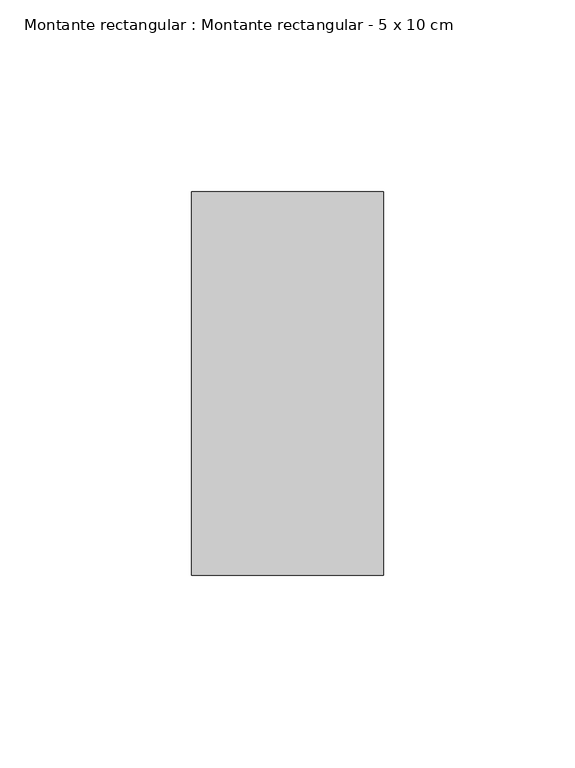
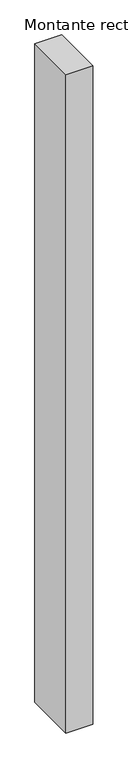
"""IFC4 building model written with IfcOpenShell, lengths in millimetres: member geometry, Montante rectangular : Montante rectangular - 5 x 10 cm."""

from ifc_helpers import new_model, si_unit, frame, origin, place, context, project, spatial, polyline, outline, extrude, source, transform, mapped, element, save


def montante_rectangular_montante_rectangular_5_x_10_cm_9404cc22(model_context):
    return source(origin(), model_context, "Body", "SweptSolid", [
        extrude(outline(polyline([(-50.0, 50.0), (0.0, 50.0), (0.0, -50.0), (-50.0, -50.0), (-50.0, 50.0)])), frame((0.0, 0.0, -1295.0), z_axis=(0.0, 0.0, 1.0), x_axis=(1.0, 0.0, 0.0)), (0.0, 0.0, 1.0), 1295.0),
    ])


if __name__ == "__main__":
    model = new_model("IFC4")
    model_context = context("Model", 3, world=origin())
    ifc_project = project(units=[si_unit("LENGTHUNIT", "METRE", prefix="MILLI")], contexts=[model_context])
    site = spatial("IfcSite", under=ifc_project)
    building = spatial("IfcBuilding", under=site)
    placement = place(None, origin())
    montante_rectangular_montante_rectangular_5_x_10_cm_shape = montante_rectangular_montante_rectangular_5_x_10_cm_9404cc22(model_context)
    element("IfcMember", 1, ObjectType="Montante rectangular : Montante rectangular - 5 x 10 cm", at=placement, inside=building, context=model_context, shape_type="MappedRepresentation", body=[
        mapped(montante_rectangular_montante_rectangular_5_x_10_cm_shape, transform((0.0, 0.0, 0.0), x_axis=(1.0, 0.0, 0.0), y_axis=(0.0, 1.0, 0.0), z_axis=(0.0, 0.0, 1.0))),
    ])
    save(model, "model.ifc")
